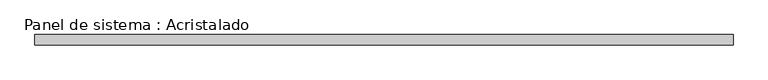
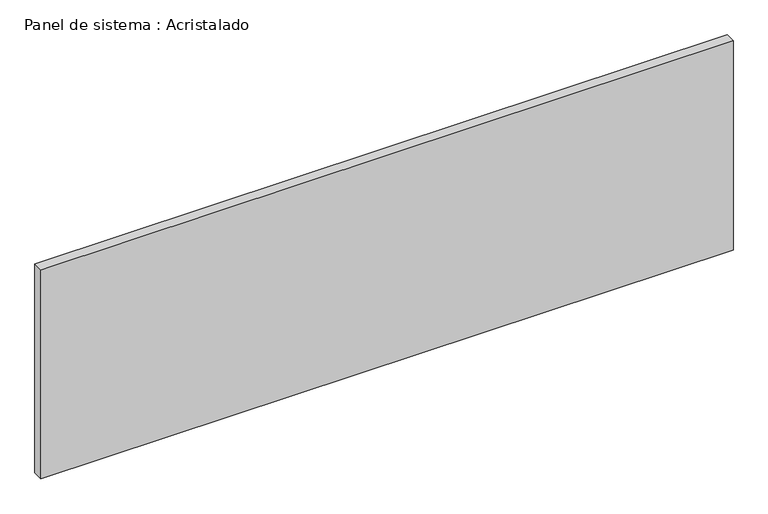
"""IFC4 building model written with IfcOpenShell, lengths in millimetres: plate geometry, Panel de sistema : Acristalado."""

from ifc_helpers import new_model, si_unit, origin, origin_with_axes, place, context, project, spatial, polyline, outline, extrude, source, transform, mapped, element, save


def panel_de_sistema_acristalado_972c26a1(model_context):
    return source(origin(), model_context, "Body", "SweptSolid", [
        extrude(outline(polyline([(670.8504807, -10.0), (-670.8504807, -10.0), (-670.8504807, 10.0), (670.8504807, 10.0), (670.8504807, -10.0)])), origin_with_axes(), (0.0, 0.0, 1.0), 429.0),
    ])


if __name__ == "__main__":
    model = new_model("IFC4")
    model_context = context("Model", 3, world=origin())
    ifc_project = project(units=[si_unit("LENGTHUNIT", "METRE", prefix="MILLI")], contexts=[model_context])
    site = spatial("IfcSite", under=ifc_project)
    building = spatial("IfcBuilding", under=site)
    placement = place(None, origin())
    panel_de_sistema_acristalado_shape = panel_de_sistema_acristalado_972c26a1(model_context)
    element("IfcPlate", 1, ObjectType="Panel de sistema : Acristalado", at=placement, inside=building, context=model_context, shape_type="MappedRepresentation", body=[
        mapped(panel_de_sistema_acristalado_shape, transform((0.0, 0.0, 0.0), x_axis=(1.0, 0.0, 0.0), y_axis=(0.0, 1.0, 0.0), z_axis=(0.0, 0.0, 1.0))),
    ])
    save(model, "model.ifc")
